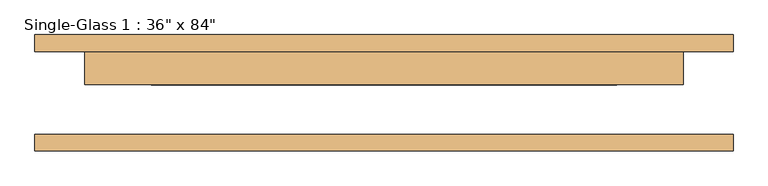
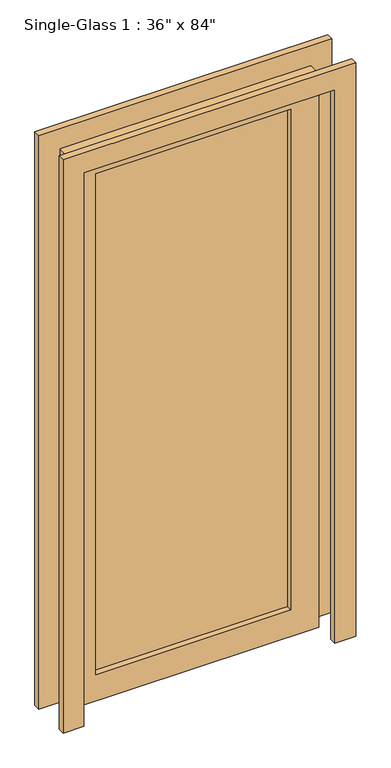
"""IFC4 building model written with IfcOpenShell, lengths in millimetres: door geometry."""

from ifc_helpers import new_model, si_unit, frame, origin, place, context, project, spatial, polyline, outline, extrude, source, transform, mapped, element, save


def door_009a01e8(model_context):
    return source(origin(), model_context, "Body", "SweptSolid", [
        extrude(outline(polyline([(2133.6, 457.2), (0.0, 457.2), (0.0, 533.4), (2209.8, 533.4), (2209.8, -533.4), (0.0, -533.4), (0.0, -457.2), (2133.6, -457.2), (2133.6, 457.2)])), frame((0.0, -88.9, 0.0), z_axis=(0.0, 1.0, 0.0), x_axis=(0.0, 0.0, 1.0)), (0.0, 0.0, 1.0), 25.4),
        extrude(outline(polyline([(2133.6, 457.2), (0.0, 457.2), (0.0, 533.4), (2209.8, 533.4), (2209.8, -533.4), (0.0, -533.4), (0.0, -457.2), (2133.6, -457.2), (2133.6, 457.2)])), frame((0.0, 63.5, 0.0), z_axis=(0.0, 1.0, 0.0), x_axis=(0.0, 0.0, 1.0)), (0.0, 0.0, 1.0), 25.4),
        extrude(outline(polyline([(355.6, 34.925), (-355.6, 34.925), (-355.6, 41.275), (355.6, 41.275), (355.6, 34.925)])), frame((0.0, 0.0, 101.6), z_axis=(0.0, 0.0, 1.0), x_axis=(1.0, 0.0, 0.0)), (0.0, 0.0, 1.0), 1930.4),
        extrude(outline(polyline([(2133.6, 457.2), (2133.6, -457.2), (0.0, -457.2), (0.0, 457.2), (2133.6, 457.2)]), holes=[polyline([(2032.0, -355.6), (2032.0, 355.6), (101.6, 355.6), (101.6, -355.6), (2032.0, -355.6)])]), frame((0.0, 12.7, 0.0), z_axis=(0.0, 1.0, 0.0), x_axis=(0.0, 0.0, 1.0)), (0.0, 0.0, 1.0), 50.8),
    ])


if __name__ == "__main__":
    model = new_model("IFC4")
    model_context = context("Model", 3, world=origin())
    ifc_project = project(units=[si_unit("LENGTHUNIT", "METRE", prefix="MILLI")], contexts=[model_context])
    site = spatial("IfcSite", under=ifc_project)
    building = spatial("IfcBuilding", under=site)
    placement = place(None, origin())
    door_shape = door_009a01e8(model_context)
    element("IfcDoor", 1, ObjectType="Single-Glass 1 : 36\" x 84\"", at=placement, inside=building, context=model_context, shape_type="MappedRepresentation", body=[
        mapped(door_shape, transform((0.0, 0.0, 0.0), x_axis=(1.0, 0.0, 0.0), y_axis=(0.0, 1.0, 0.0), z_axis=(0.0, 0.0, 1.0))),
    ])
    save(model, "model.ifc")
